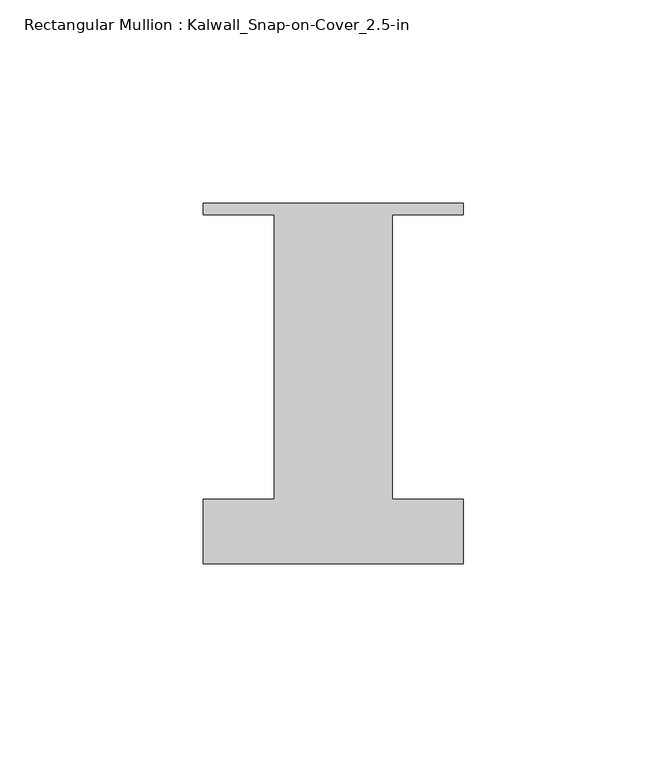
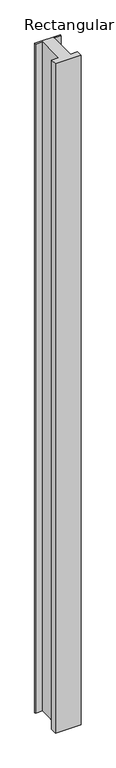
"""IFC4 building model written with IfcOpenShell, lengths in millimetres: member geometry, Rectangular Mullion : Kalwall_Snap-on-Cover_2.5-in."""

from ifc_helpers import new_model, si_unit, frame, origin, place, context, project, spatial, polyline, outline, extrude, source, transform, mapped, element, save


def rectangular_mullion_kalwall_snap_on_cover_2_5_in_380e5e74(model_context):
    return source(origin(), model_context, "Body", "SweptSolid", [
        extrude(outline(polyline([(-32.0, 37.794), (32.0, 37.794), (32.0, 35.0), (14.5, 35.0), (14.5, -35.0), (32.0, -35.0), (32.0, -50.875), (-32.0, -50.875), (-32.0, -35.0), (-14.5, -35.0), (-14.5, 35.0), (-32.0, 35.0), (-32.0, 37.794)])), frame((0.0, 0.0, -1753.725), z_axis=(0.0, 0.0, 1.0), x_axis=(1.0, 0.0, 0.0)), (0.0, 0.0, 1.0), 1753.725),
    ])


if __name__ == "__main__":
    model = new_model("IFC4")
    model_context = context("Model", 3, world=origin())
    ifc_project = project(units=[si_unit("LENGTHUNIT", "METRE", prefix="MILLI")], contexts=[model_context])
    site = spatial("IfcSite", under=ifc_project)
    building = spatial("IfcBuilding", under=site)
    placement = place(None, origin())
    rectangular_mullion_kalwall_snap_on_cover_2_5_in_shape = rectangular_mullion_kalwall_snap_on_cover_2_5_in_380e5e74(model_context)
    element("IfcMember", 1, ObjectType="Rectangular Mullion : Kalwall_Snap-on-Cover_2.5-in", at=placement, inside=building, context=model_context, shape_type="MappedRepresentation", body=[
        mapped(rectangular_mullion_kalwall_snap_on_cover_2_5_in_shape, transform((0.0, 0.0, 0.0), x_axis=(1.0, 0.0, 0.0), y_axis=(0.0, 1.0, 0.0), z_axis=(0.0, 0.0, 1.0))),
    ])
    save(model, "model.ifc")
